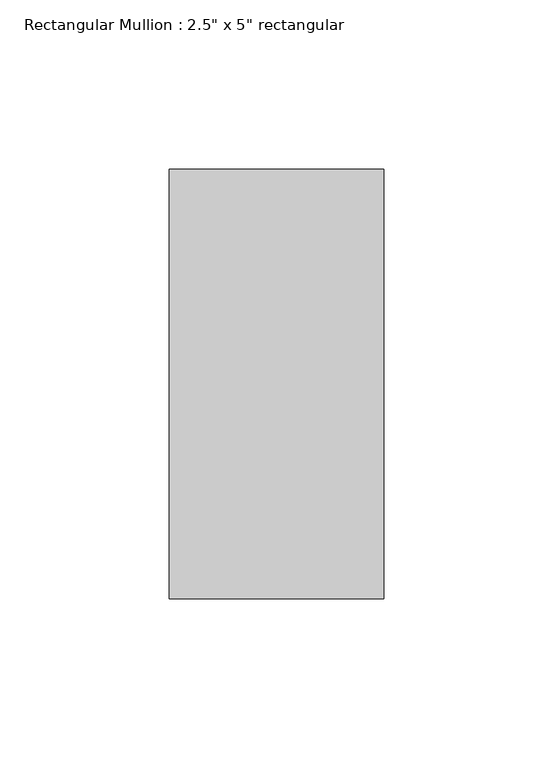
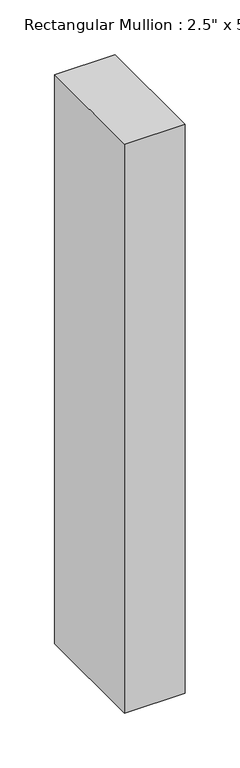
"""IFC4 building model written with IfcOpenShell, lengths in millimetres: member geometry."""

from ifc_helpers import new_model, si_unit, frame, origin, place, context, project, spatial, polyline, outline, extrude, source, transform, mapped, element, save


def member_fafe10ed(model_context):
    return source(origin(), model_context, "Body", "SweptSolid", [
        extrude(outline(polyline([(0.0, 63.5), (0.0, -63.5), (-63.5, -63.5), (-63.5, 63.5), (0.0, 63.5)])), frame((0.0, 0.0, -631.8249997), z_axis=(0.0, 0.0, 1.0), x_axis=(1.0, 0.0, 0.0)), (0.0, 0.0, 1.0), 631.8249997),
    ])


if __name__ == "__main__":
    model = new_model("IFC4")
    model_context = context("Model", 3, world=origin())
    ifc_project = project(units=[si_unit("LENGTHUNIT", "METRE", prefix="MILLI")], contexts=[model_context])
    site = spatial("IfcSite", under=ifc_project)
    building = spatial("IfcBuilding", under=site)
    placement = place(None, origin())
    member_shape = member_fafe10ed(model_context)
    element("IfcMember", 1, ObjectType="Rectangular Mullion : 2.5\" x 5\" rectangular", at=placement, inside=building, context=model_context, shape_type="MappedRepresentation", body=[
        mapped(member_shape, transform((0.0, 0.0, 0.0), x_axis=(1.0, 0.0, 0.0), y_axis=(0.0, 1.0, 0.0), z_axis=(0.0, 0.0, 1.0))),
    ])
    save(model, "model.ifc")
